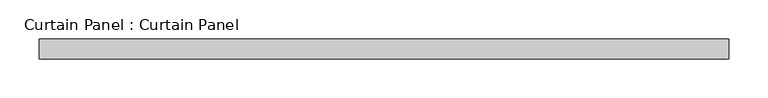
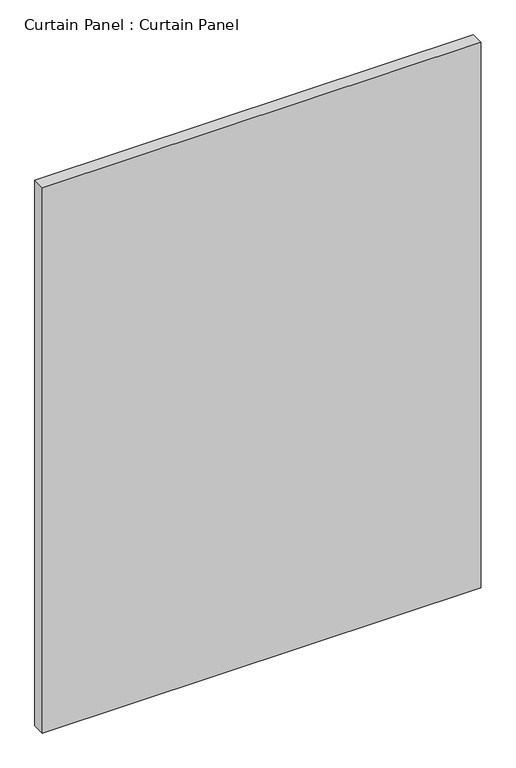
"""IFC4 building model written with IfcOpenShell, lengths in millimetres: plate geometry, Curtain Panel : Curtain Panel."""

import ifcopenshell
import ifcopenshell.guid

model = None  # the IFC model being written
_history = None  # IfcOwnerHistory: only IFC2X3 demands one
_inside = {}  # id of a spatial element -> (the spatial element, [elements in it])
_under = {}  # id of a project, library or spatial element -> (it, [spatial elements below it])
_declared = {}  # id of a project -> (the project, [libraries it declares])
_typed = {}  # id of a type object -> (the type object, [elements of that type])
_made_of = {}  # id of a material, layer set ... -> (it, [elements and type objects made of it])


def new_model(schema):
    """Start an empty IFC model of exactly this schema.

    Asked for "IFC4X3", IfcOpenShell would pick the latest addendum, in which some entities
    have other attributes; the version numbers below select the first issue.
    IFC2X3 requires an IfcOwnerHistory on every rooted entity: one is made here for all.
    """
    global model, _history
    if schema == "IFC4X3":
        model = ifcopenshell.file(schema_version=(4, 3, 0, 0))
    else:
        model = ifcopenshell.file(schema=schema)
    _inside.clear()
    _under.clear()
    _declared.clear()
    _typed.clear()
    _made_of.clear()
    _history = None
    if model.schema == "IFC2X3":
        org = make("IfcOrganization", Name="unknown")
        user = make(
            "IfcPersonAndOrganization",
            ThePerson=make("IfcPerson", FamilyName="unknown"),
            TheOrganization=org,
        )
        app = make(
            "IfcApplication",
            ApplicationDeveloper=org,
            Version="unknown",
            ApplicationFullName="unknown",
            ApplicationIdentifier="unknown",
        )
        _history = make(
            "IfcOwnerHistory",
            OwningUser=user,
            OwningApplication=app,
            ChangeAction="ADDED",
            CreationDate=0,
        )
    return model


def make(cls, **values):
    """One entity of the class cls with the attributes given. An attribute that is None is left unset."""
    return model.create_entity(
        cls, **{name: value for name, value in values.items() if value is not None}
    )


def rooted(cls, **values):
    """An entity with a GlobalId (a new one), such as an element, a storey or a relation."""
    return make(cls, GlobalId=ifcopenshell.guid.new(), OwnerHistory=_history, **values)


def si_unit(unit_type, name, prefix=None):
    """IfcSIUnit, for example si_unit("LENGTHUNIT", "METRE", prefix="MILLI")."""
    return make("IfcSIUnit", UnitType=unit_type, Prefix=prefix, Name=name)


def assignment(units):
    """IfcUnitAssignment: the units of a project."""
    return None if units is None else make("IfcUnitAssignment", Units=units)


def point(xyz):
    """IfcCartesianPoint."""
    return None if xyz is None else make("IfcCartesianPoint", Coordinates=xyz)


def direction(xyz):
    """IfcDirection."""
    return None if xyz is None else make("IfcDirection", DirectionRatios=xyz)


def frame(location, z_axis=None, x_axis=None):
    """IfcAxis2Placement3D, a coordinate frame: its origin and axes. An axis left out is left unset."""
    return make(
        "IfcAxis2Placement3D",
        Location=point(location),
        Axis=direction(z_axis),
        RefDirection=direction(x_axis),
    )


def origin():
    """The frame at (0, 0, 0) with its axes left unset."""
    return frame((0.0, 0.0, 0.0))


def place(relative_to, where):
    """IfcLocalPlacement: puts the frame where relative to a parent placement (None: the world)."""
    return make(
        "IfcLocalPlacement", PlacementRelTo=relative_to, RelativePlacement=where
    )


def context(
    kind, dimensions, precision=None, world=None, true_north=None, identifier=None
):
    """IfcGeometricRepresentationContext, for example the 3D "Model" context."""
    return make(
        "IfcGeometricRepresentationContext",
        ContextIdentifier=identifier,
        ContextType=kind,
        CoordinateSpaceDimension=dimensions,
        Precision=precision,
        WorldCoordinateSystem=world,
        TrueNorth=true_north,
    )


def project(units=None, contexts=None):
    """IfcProject with its units and contexts."""
    return rooted(
        "IfcProject",
        Name="project",
        RepresentationContexts=contexts,
        UnitsInContext=assignment(units),
    )


def spatial(cls, under=None, at=None, **own):
    """A site, building, storey or space (cls), placed at a placement, below another one or the project."""
    s = rooted(cls, ObjectPlacement=at, **own)
    if under is not None:
        _under.setdefault(under.id(), (under, []))[1].append(s)
    return s


def polyline(points):
    """IfcPolyline through the points."""
    return make("IfcPolyline", Points=[point(p) for p in points])


def outline(outer, holes=None, kind="AREA"):
    """IfcArbitraryClosedProfileDef: a profile drawn as a closed curve; with holes, ...WithVoids."""
    if holes is None:
        return make("IfcArbitraryClosedProfileDef", ProfileType=kind, OuterCurve=outer)
    return make(
        "IfcArbitraryProfileDefWithVoids",
        ProfileType=kind,
        OuterCurve=outer,
        InnerCurves=holes,
    )


def extrude(swept, where, along, depth):
    """IfcExtrudedAreaSolid: the profile swept, set in the frame where, extruded along a direction by depth."""
    return make(
        "IfcExtrudedAreaSolid",
        SweptArea=swept,
        Position=where,
        ExtrudedDirection=direction(along),
        Depth=depth,
    )


def shape(context_of_items, identifier, shape_type, items):
    """IfcShapeRepresentation: the items that make up one representation, for example the "Body"."""
    return make(
        "IfcShapeRepresentation",
        ContextOfItems=context_of_items,
        RepresentationIdentifier=identifier,
        RepresentationType=shape_type,
        Items=items,
    )


def source(mapping_origin, context_of_items, identifier, shape_type, items):
    """IfcRepresentationMap: a shape defined once, which mapped items show again and again."""
    return make(
        "IfcRepresentationMap",
        MappingOrigin=mapping_origin,
        MappedRepresentation=shape(context_of_items, identifier, shape_type, items),
    )


def transform(
    local_origin,
    x_axis=None,
    y_axis=None,
    z_axis=None,
    scale=None,
    scale2=None,
    scale3=None,
    uniform=True,
):
    """IfcCartesianTransformationOperator3D, or its non-uniform kind. x_axis, y_axis, z_axis: its Axis1, 2, 3."""
    if uniform:
        return make(
            "IfcCartesianTransformationOperator3D",
            Axis1=direction(x_axis),
            Axis2=direction(y_axis),
            LocalOrigin=point(local_origin),
            Scale=scale,
            Axis3=direction(z_axis),
        )
    return make(
        "IfcCartesianTransformationOperator3DnonUniform",
        Axis1=direction(x_axis),
        Axis2=direction(y_axis),
        LocalOrigin=point(local_origin),
        Scale=scale,
        Axis3=direction(z_axis),
        Scale2=scale2,
        Scale3=scale3,
    )


def mapped(mapping_source, mapping_target):
    """IfcMappedItem: shows the shape of a source again, moved by a transform."""
    return make(
        "IfcMappedItem", MappingSource=mapping_source, MappingTarget=mapping_target
    )


def made_of(thing, what):
    """Note that an element or type object is made of a material, layer set ...; save() writes the relation."""
    if what is not None:
        _made_of.setdefault(what.id(), (what, []))[1].append(thing)
    return thing


def element(
    cls,
    number,
    at=None,
    inside=None,
    cuts=None,
    type_object=None,
    material=None,
    context=None,
    identifier="Body",
    shape_type=None,
    held_by="IfcProductDefinitionShape",
    body=None,
    shapes=None,
    **own,
):
    """One element of the class cls, such as IfcWall. Its Tag is "e" and its number.

    at: its placement. inside: the storey or other place that contains it. cuts: it is an
    opening in that element (IfcRelVoidsElement). A single representation is given by context,
    identifier, shape_type and body (its items); several are given by shapes. held_by: the class
    of the entity that holds the representations. save() writes the other relations.
    """
    e = rooted(cls, Tag="e%d" % number, ObjectPlacement=at, **own)
    if body is not None:
        shapes = [shape(context, identifier, shape_type, body)]
    if shapes is not None:
        e.Representation = make(held_by, Representations=shapes)
    if inside is not None:
        _inside.setdefault(inside.id(), (inside, []))[1].append(e)
    if cuts is not None:
        rooted(
            "IfcRelVoidsElement", RelatingBuildingElement=cuts, RelatedOpeningElement=e
        )
    if type_object is not None:
        _typed.setdefault(type_object.id(), (type_object, []))[1].append(e)
    return made_of(e, material)


def aggregate(whole, parts):
    """IfcRelAggregates: a whole, such as a stair, and the parts it consists of."""
    return rooted("IfcRelAggregates", RelatingObject=whole, RelatedObjects=parts)


def save(model, path):
    """Write the relations noted so far, then the file.

    IfcRelAggregates (storeys below a building ...), IfcRelContainedInSpatialStructure (elements
    in a storey), IfcRelDefinesByType, IfcRelAssociatesMaterial and IfcRelDeclares: one each for
    every whole, place, type object, material and project.
    """
    for whole, parts in _under.values():
        aggregate(whole, parts)
    for where, things in _inside.values():
        rooted(
            "IfcRelContainedInSpatialStructure",
            RelatedElements=things,
            RelatingStructure=where,
        )
    for kind, things in _typed.values():
        rooted("IfcRelDefinesByType", RelatedObjects=things, RelatingType=kind)
    for what, things in _made_of.values():
        rooted("IfcRelAssociatesMaterial", RelatedObjects=things, RelatingMaterial=what)
    for by, libraries in _declared.values():
        rooted("IfcRelDeclares", RelatingContext=by, RelatedDefinitions=libraries)
    model.write(path)


def curtain_panel_curtain_panel_d03bca5b(model_context):
    return source(origin(), model_context, "Body", "SweptSolid", [
        extrude(outline(polyline([(-174909.1628689, 4757.6387985), (-175788.6378689, 4757.6387985), (-175788.6378689, 4783.0387985), (-174909.1628689, 4783.0387985), (-174909.1628689, 4757.6387985)])), frame((0.0, 0.0, 46.0375), z_axis=(0.0, 0.0, 1.0), x_axis=(1.0, 0.0, 0.0)), (0.0, 0.0, 1.0), 1155.7),
    ])


if __name__ == "__main__":
    model = new_model("IFC4")
    model_context = context("Model", 3, world=origin())
    ifc_project = project(units=[si_unit("LENGTHUNIT", "METRE", prefix="MILLI")], contexts=[model_context])
    site = spatial("IfcSite", under=ifc_project)
    building = spatial("IfcBuilding", under=site)
    placement = place(None, origin())
    curtain_panel_curtain_panel_shape = curtain_panel_curtain_panel_d03bca5b(model_context)
    element("IfcPlate", 1, ObjectType="Curtain Panel : Curtain Panel", at=placement, inside=building, context=model_context, shape_type="MappedRepresentation", body=[
        mapped(curtain_panel_curtain_panel_shape, transform((0.0, 0.0, 0.0), x_axis=(1.0, 0.0, 0.0), y_axis=(0.0, 1.0, 0.0), z_axis=(0.0, 0.0, 1.0))),
    ])
    save(model, "model.ifc")
